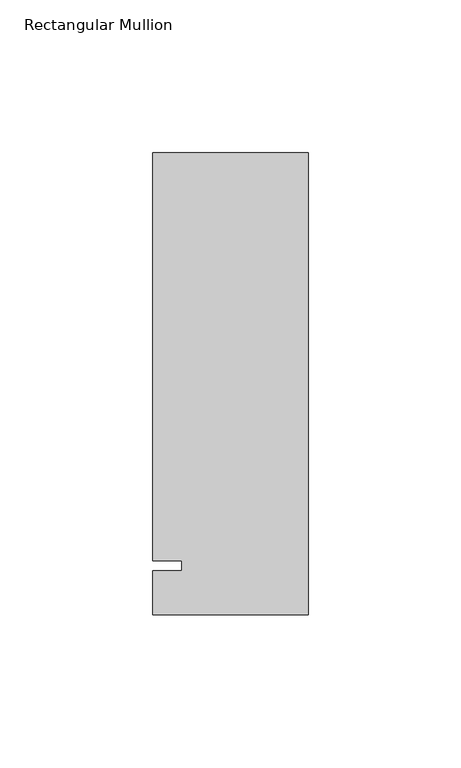
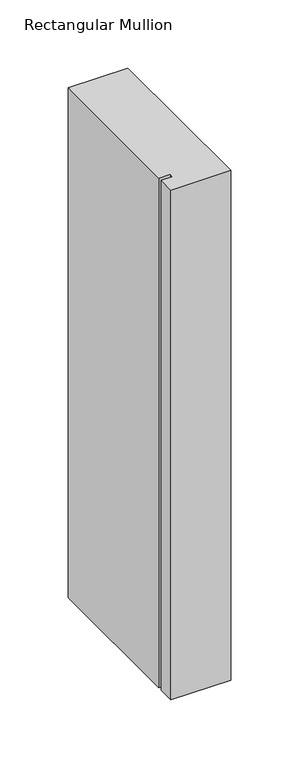
"""IFC4 building model written with IfcOpenShell, lengths in millimetres: member geometry, Rectangular Mullion."""

from ifc_helpers import new_model, si_unit, frame, origin, place, context, project, spatial, polyline, outline, extrude, source, transform, mapped, element, save


def rectangular_mullion_91af6266(model_context):
    return source(origin(), model_context, "Body", "SweptSolid", [
        extrude(outline(polyline([(-50.8, -25.5984375), (-50.8, -11.1125), (-41.275, -11.1125), (-41.275, -7.9375), (-50.8, -7.9375), (-50.8, 125.6109375), (0.0, 125.6109375), (0.0, -25.5984375), (-50.8, -25.5984375)])), frame((0.0, 0.0, -457.2), z_axis=(0.0, 0.0, 1.0), x_axis=(1.0, 0.0, 0.0)), (0.0, 0.0, 1.0), 457.2),
    ])


if __name__ == "__main__":
    model = new_model("IFC4")
    model_context = context("Model", 3, world=origin())
    ifc_project = project(units=[si_unit("LENGTHUNIT", "METRE", prefix="MILLI")], contexts=[model_context])
    site = spatial("IfcSite", under=ifc_project)
    building = spatial("IfcBuilding", under=site)
    placement = place(None, origin())
    rectangular_mullion_shape = rectangular_mullion_91af6266(model_context)
    element("IfcMember", 1, ObjectType="Rectangular Mullion", at=placement, inside=building, context=model_context, shape_type="MappedRepresentation", body=[
        mapped(rectangular_mullion_shape, transform((0.0, 0.0, 0.0), x_axis=(1.0, 0.0, 0.0), y_axis=(0.0, 1.0, 0.0), z_axis=(0.0, 0.0, 1.0))),
    ])
    save(model, "model.ifc")
